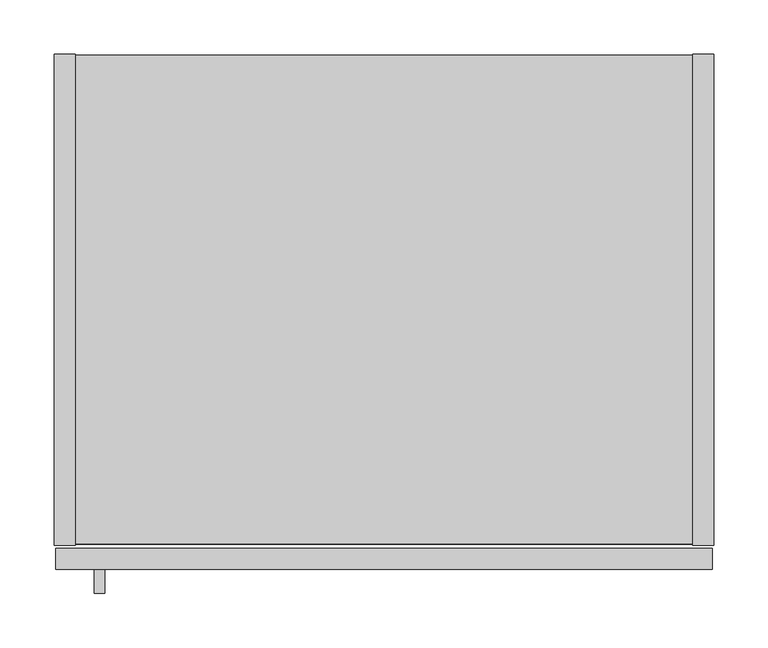
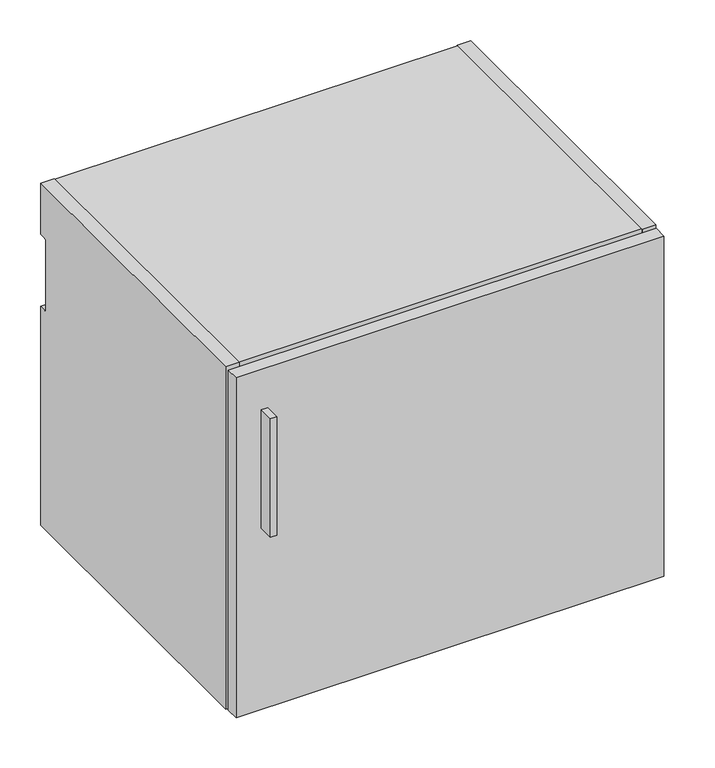
"""IFC4 building model written with IfcOpenShell, lengths in millimetres: furniture geometry."""

from ifc_helpers import new_model, si_unit, point, frame, frame_2d, origin, place, context, project, spatial, polyline, circle_curve, trimmed, segment, composite_curve, outline, extrude, source, transform, mapped, element, save


def furniture_c844e019(model_context):
    return source(origin(), model_context, "Body", "SweptSolid", [
        extrude(outline(polyline([(46.6713631, -498.729), (37.1463631, -498.729), (37.1463631, -476.504), (46.6713631, -476.504), (46.6713631, -498.729)])), frame((0.0, 0.0, 596.9), z_axis=(0.0, 0.0, 1.0), x_axis=(1.0, 0.0, 0.0)), (0.0, 0.0, 1.0), 177.8),
        extrude(outline(polyline([(608.0125, -476.504), (1.5875, -476.504), (1.5875, -457.2), (608.0125, -457.2), (608.0125, -476.504)])), frame((0.0, 0.0, 325.628), z_axis=(0.0, 0.0, 1.0), x_axis=(1.0, 0.0, 0.0)), (0.0, 0.0, 1.0), 509.397),
        extrude(outline(composite_curve([segment(polyline([(-454.025, 838.2), (0.0, 838.2), (0.0, 761.492), (-9.3963729, 761.492)]), True, "CONTINUOUS"), segment(trimmed(circle_curve(frame_2d((-9.3963729, 758.1883729)), 3.3036271), [point((-9.3963729, 761.492))], [point((-12.7, 758.1883729))], True, "CARTESIAN"), True, "CONTINUOUS"), segment(polyline([(-12.7, 758.1883729), (-12.7, 656.844)]), True, "CONTINUOUS"), segment(trimmed(circle_curve(frame_2d((-9.398, 656.844)), 3.302), [point((-12.7, 656.844))], [point((-9.398, 653.542))], True, "CARTESIAN"), True, "CONTINUOUS"), segment(polyline([(-9.398, 653.542), (0.0, 653.542), (0.0, 325.628), (-454.025, 325.628), (-454.025, 838.2)]), True, "CONTINUOUS")], self_intersect=False)), frame((590.296, 0.0, 0.0), z_axis=(1.0, 0.0, 0.0), x_axis=(0.0, 1.0, 0.0)), (0.0, 0.0, 1.0), 19.304),
        extrude(outline(polyline([(590.296, -0.9906), (590.296, -453.0344), (19.304, -453.0344), (19.304, -0.9906), (590.296, -0.9906)])), frame((0.0, 0.0, 326.6186), z_axis=(0.0, 0.0, 1.0), x_axis=(1.0, 0.0, 0.0)), (0.0, 0.0, 1.0), 19.304),
        extrude(outline(composite_curve([segment(polyline([(-32.004, 818.896), (-11.938, 818.896), (-11.938, 760.2988429)]), True, "CONTINUOUS"), segment(trimmed(circle_curve(frame_2d((-9.3963729, 758.1883729)), 3.3036271), [point((-11.938, 760.2988429))], [point((-12.7, 758.1883729))], True, "CARTESIAN"), True, "CONTINUOUS"), segment(polyline([(-12.7, 758.1883729), (-12.7, 656.844)]), True, "CONTINUOUS"), segment(trimmed(circle_curve(frame_2d((-9.398, 656.844)), 3.302), [point((-12.7, 656.844))], [point((-11.938, 654.7341175))], True, "CARTESIAN"), True, "CONTINUOUS"), segment(polyline([(-11.938, 654.7341175), (-11.938, 345.9226), (-32.004, 345.9226), (-32.004, 818.896)]), True, "CONTINUOUS")], self_intersect=False)), frame((19.304, 0.0, 0.0), z_axis=(1.0, 0.0, 0.0), x_axis=(0.0, 1.0, 0.0)), (0.0, 0.0, 1.0), 570.992),
        extrude(outline(composite_curve([segment(polyline([(-454.025, 838.2), (0.0, 838.2), (0.0, 761.492), (-9.3963729, 761.492)]), True, "CONTINUOUS"), segment(trimmed(circle_curve(frame_2d((-9.3963729, 758.1883729)), 3.3036271), [point((-9.3963729, 761.492))], [point((-12.7, 758.1883729))], True, "CARTESIAN"), True, "CONTINUOUS"), segment(polyline([(-12.7, 758.1883729), (-12.7, 656.844)]), True, "CONTINUOUS"), segment(trimmed(circle_curve(frame_2d((-9.398, 656.844)), 3.302), [point((-12.7, 656.844))], [point((-9.398, 653.542))], True, "CARTESIAN"), True, "CONTINUOUS"), segment(polyline([(-9.398, 653.542), (0.0, 653.542), (0.0, 325.628), (-454.025, 325.628), (-454.025, 838.2)]), True, "CONTINUOUS")], self_intersect=False)), frame((0.0, 0.0, 0.0), z_axis=(1.0, 0.0, 0.0), x_axis=(0.0, 1.0, 0.0)), (0.0, 0.0, 1.0), 19.304),
        extrude(outline(polyline([(590.296, -453.0344), (19.304, -453.0344), (19.304, -0.9906), (590.296, -0.9906), (590.296, -453.0344)])), frame((0.0, 0.0, 818.896), z_axis=(0.0, 0.0, 1.0), x_axis=(1.0, 0.0, 0.0)), (0.0, 0.0, 1.0), 19.304),
    ])


if __name__ == "__main__":
    model = new_model("IFC4")
    model_context = context("Model", 3, world=origin())
    ifc_project = project(units=[si_unit("LENGTHUNIT", "METRE", prefix="MILLI")], contexts=[model_context])
    site = spatial("IfcSite", under=ifc_project)
    building = spatial("IfcBuilding", under=site)
    placement = place(None, origin())
    furniture_shape = furniture_c844e019(model_context)
    element("IfcFurniture", 1, at=placement, inside=building, context=model_context, shape_type="MappedRepresentation", body=[
        mapped(furniture_shape, transform((0.0, 0.0, 0.0), x_axis=(1.0, 0.0, 0.0), y_axis=(0.0, 1.0, 0.0), z_axis=(0.0, 0.0, 1.0))),
    ])
    save(model, "model.ifc")
